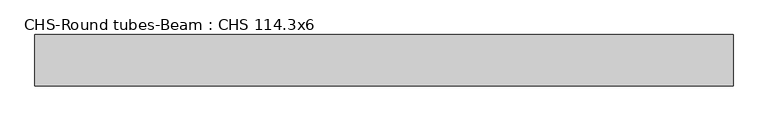
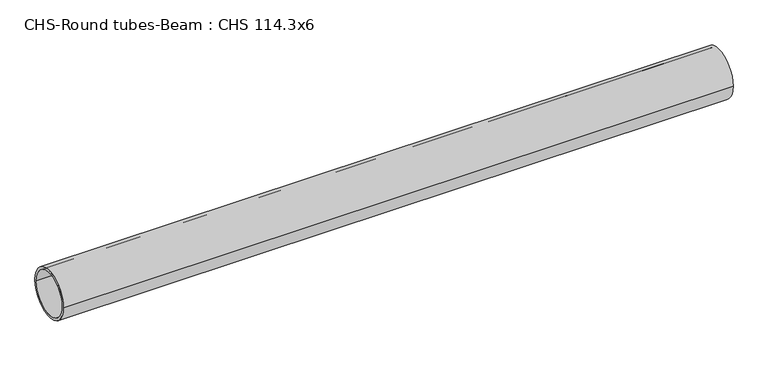
"""IFC4 building model written with IfcOpenShell, lengths in millimetres: beam geometry, CHS-Round tubes-Beam : CHS 114.3x6."""

from ifc_helpers import new_model, si_unit, point, frame, origin, origin_2d, place, context, project, spatial, circle_curve, trimmed, segment, composite_curve, outline, extrude, source, transform, mapped, element, save


def chs_round_tubes_beam_chs_114_3x6_503787f0(model_context):
    return source(origin(), model_context, "Body", "SweptSolid", [
        extrude(outline(composite_curve([segment(trimmed(circle_curve(origin_2d(), 57.15), [point((57.15, 0.0))], [point((-57.15, 0.0))], False, "CARTESIAN"), True, "CONTINUOUS"), segment(trimmed(circle_curve(origin_2d(), 57.15), [point((-57.15, 0.0))], [point((57.15, 0.0))], False, "CARTESIAN"), True, "CONTINUOUS")], self_intersect=False), holes=[composite_curve([segment(trimmed(circle_curve(origin_2d(), 51.15), [point((51.15, 0.0))], [point((-51.15, 0.0))], True, "CARTESIAN"), True, "CONTINUOUS"), segment(trimmed(circle_curve(origin_2d(), 51.15), [point((-51.15, 0.0))], [point((51.15, 0.0))], True, "CARTESIAN"), True, "CONTINUOUS")], self_intersect=False)]), frame((-750.7261011, 0.0, 0.0), z_axis=(1.0, 0.0, 0.0), x_axis=(0.0, 1.0, 0.0)), (0.0, 0.0, 1.0), 1555.1457264),
    ])


if __name__ == "__main__":
    model = new_model("IFC4")
    model_context = context("Model", 3, world=origin())
    ifc_project = project(units=[si_unit("LENGTHUNIT", "METRE", prefix="MILLI")], contexts=[model_context])
    site = spatial("IfcSite", under=ifc_project)
    building = spatial("IfcBuilding", under=site)
    placement = place(None, origin())
    chs_round_tubes_beam_chs_114_3x6_shape = chs_round_tubes_beam_chs_114_3x6_503787f0(model_context)
    element("IfcBeam", 1, ObjectType="CHS-Round tubes-Beam : CHS 114.3x6", at=placement, inside=building, context=model_context, shape_type="MappedRepresentation", body=[
        mapped(chs_round_tubes_beam_chs_114_3x6_shape, transform((0.0, 0.0, 0.0), x_axis=(1.0, 0.0, 0.0), y_axis=(0.0, 1.0, 0.0), z_axis=(0.0, 0.0, 1.0))),
    ])
    save(model, "model.ifc")
